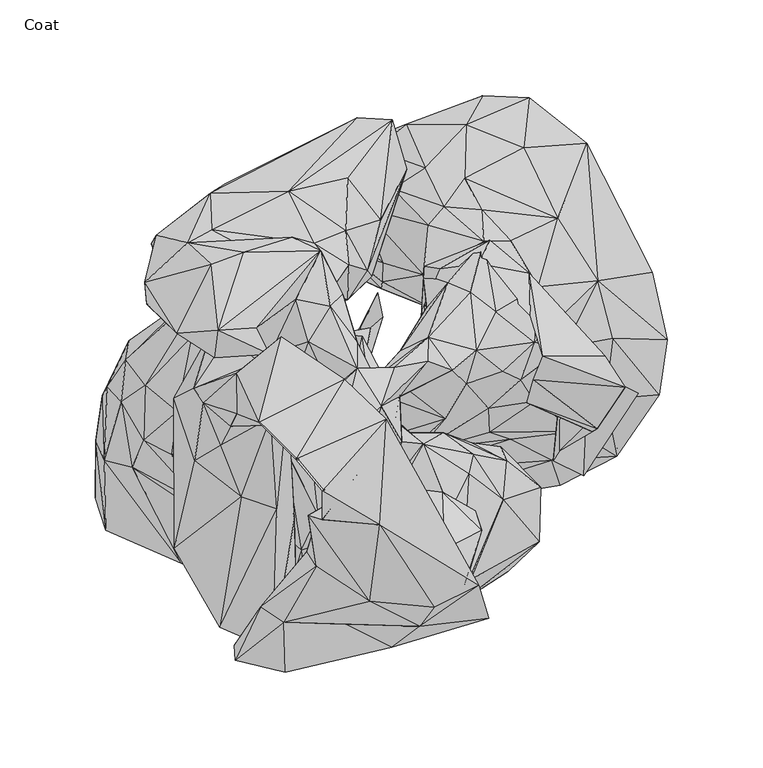
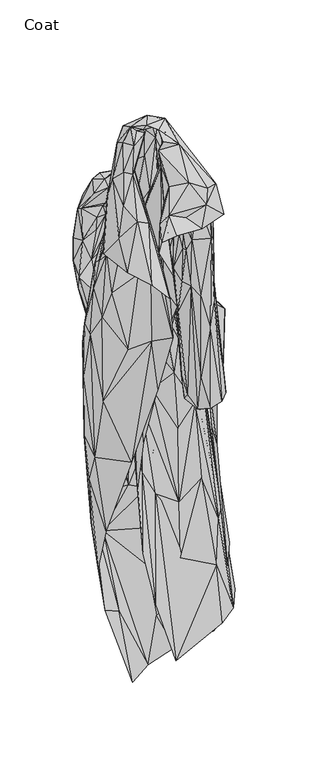
"""IFC4 building model written with IfcOpenShell, lengths in millimetres: furniture geometry, Coat."""

from ifc_helpers import new_model, si_unit, origin, place, context, project, spatial, triangles, source, transform, mapped, element, save


def coat_c6b7e939(model_context):
    return source(origin(), model_context, "Body", "Tessellation", [
        triangles([(-63.1753226, 77.4664743, 599.5763386), (-33.1021946, 56.1466047, 514.6616816), (-83.8332459, 51.8210284, 745.8104359), (-103.3943067, 83.9010379, 744.3581989), (-111.4129851, 68.0790931, 780.6684099), (-31.3651572, 38.0101731, 781.6187153), (-19.7356958, 48.8287874, 517.6280703), (-16.8949137, 43.7368198, 772.3706606), (-84.5633522, 73.653176, 805.044393), (-49.3587423, 41.0957428, 774.7808332), (-38.7150787, 45.0536771, 622.404669), (-48.7337577, 69.6719419, 835.2110109), (5.7423838, -26.0326157, 909.5186846), (8.2214481, -57.4711514, 904.4805473), (2.1119851, -47.7807181, 915.6698353), (-10.1315593, -117.3604691, 1015.8088537), (-5.6973778, -125.5925157, 937.7244484), (6.2616102, -122.9919749, 1014.4433847), (-1.7939003, -56.9794981, 837.7940655), (-0.423183, -87.4138777, 936.1028177), (-12.5855758, -86.2954866, 1011.2111692), (-4.878114, -97.89417, 1035.4247349), (-12.0761842, -115.7006594, 913.5148796), (-18.7211433, -107.1246567, 988.285461), (44.6930342, -113.328148, 786.410574), (34.2567821, -118.5734764, 740.6617676), (67.0956593, -98.7009794, 567.6398432), (29.4688817, -114.0362352, 1025.5162554), (31.6870852, -125.5459615, 927.936165), (12.3567698, -124.0603508, 815.6358976), (23.5066706, -105.3256568, 634.6116274), (23.818954, -93.7478206, 563.1619552), (42.6126288, -104.1464864, 564.6112126), (4.5928428, -77.1039783, 887.2144501), (20.324091, -55.7416103, 563.6938268), (12.2230752, -79.2796903, 587.9030685), (11.0512661, -61.0072682, 617.2767117), (11.7730913, -38.8233752, 771.3274103), (-8.5091611, -97.1382478, 836.7386793), (-3.493564, -117.6568899, 838.2034155), (29.8218125, -28.497695, 762.9053226), (43.1913862, -32.7127766, 567.8353981), (-4.6450585, -77.5701289, 762.5720581), (53.3390135, -77.0143762, 1011.0129982), (50.1585981, -66.9781201, 983.7569584), (32.9824753, -57.2056607, 994.6786755), (83.6291977, -83.2030518, 570.719488), (33.3989629, -73.8021858, 939.8382729), (34.1749852, -87.0911321, 1036.156885), (45.0945585, -103.805755, 1018.72183), (42.8391775, -112.6736367, 920.8878307), (47.949417, -31.1278602, 673.2433537), (63.346029, -33.3141797, 569.0236613), (22.4487161, -31.9454293, 937.8673903), (46.6473526, -47.5603146, 867.0833387), (-9.8906538, -36.8459228, 906.8349821), (33.3918549, -26.1257423, 818.2866079), (49.0594146, -37.2319116, 820.4422903), (47.8614863, -102.7937347, 841.4920229), (64.7962675, -61.2108986, 762.5468416), (66.4749305, -40.7293499, 687.2049288), (84.3838391, -54.5837686, 571.0369832), (-0.9403777, 47.4639679, 198.8030179), (-27.5009513, -7.1189599, 360.7263828), (-24.5566225, 1.7156936, 185.8833668), (128.5708404, -2.0931633, 675.0638821), (116.3303721, -13.885979, 590.9821321), (113.8727641, -23.8799309, 596.1257861), (1.6667861, 34.4888605, 359.5189347), (-11.1825137, -6.1469341, 441.3141237), (76.9747165, -10.1729347, 623.857778), (100.1368202, -4.4725053, 572.4027792), (94.6851544, -2.4655381, 553.6719094), (-16.2196416, -5.1829861, 533.8780958), (-2.0572916, -10.7415057, 481.6083575), (-16.1893575, -10.1309223, 464.2820532), (-32.3602477, 26.9368301, 569.6729313), (-17.776538, -16.6583048, 695.7677055), (-9.1397231, -18.1502025, 575.6444418), (23.3609401, 61.1744727, 692.5235722), (21.9006073, 38.3767318, 739.618154), (23.6173221, -2.2571311, 672.9943863), (19.1114652, 1.123172, 726.9125341), (31.4075351, 59.9035565, 746.5752148), (80.3436788, 1.6834494, 716.5707235), (85.4349468, 14.0619869, 734.4740639), (78.3441823, 57.6299444, 696.5095934), (117.92893, 14.4077927, 687.9423838), (78.8557881, 35.3347891, 744.5972832), (-3.6107404, -14.2660226, 712.1251373), (9.1596942, -10.842718, 666.6668655), (105.8840802, 6.6181723, 525.15966), (109.4047319, 7.7341539, 433.8809292), (111.2832692, -25.3227435, 569.2056996), (94.4029587, -35.4564227, 548.2304538), (135.5839389, -5.134362, 198.9099699), (106.8375649, -48.5178643, 188.4076677), (57.5223882, 74.818044, 699.0034092), (91.0040927, -40.725135, 436.8117096), (51.8616555, 62.6546422, 749.1398838), (-4.6915593, 29.1131167, 420.6313019), (-29.3287944, 24.6088813, 471.5496692), (-9.1208005, 24.6148107, 654.8600281), (1.4818392, 63.2667778, 544.6985473), (-18.9375875, 69.3130112, 335.085288), (1.2563668, 53.2709899, 489.4834582), (-11.6717917, 7.8684066, 1111.1033278), (-11.8596742, 21.4514818, 1076.2293663), (-25.8123529, 40.2549239, 1052.2734884), (10.7809803, 17.0581453, 1007.7908112), (-1.2138418, -4.8229319, 981.432827), (-2.3537793, 2.5894609, 1066.9183794), (-19.3716419, 46.6829336, 999.4793272), (-18.9456675, 9.2790604, 1031.8472643), (0.9014941, 49.6258999, 310.438464), (-21.5412201, 59.9102058, 127.3972838), (-1.4780629, 52.5228433, 124.8033832), (-64.5339061, 29.0063781, 1006.0231865), (-57.5326938, 15.1379659, 1019.1676603), (-44.0480018, 43.9588312, 1031.7051218), (-36.0572718, -16.9525592, 1105.9474651), (-25.6765577, -4.0268283, 1088.9344048), (-42.9559082, -5.6847434, 1099.4817987), (-31.0094694, 69.2750729, 971.8363924), (-37.3643413, 21.5761539, 1063.4641571), (-48.1198962, -7.9895656, 1023.2198112), (24.691255, 39.7079642, 827.5934526), (13.542619, 4.4235868, 891.7923683), (-57.6235267, -22.2388656, 1084.8638683), (29.3368335, 38.3142175, 688.1227507), (32.693024, 6.9209257, 751.0147694), (45.9135492, 22.4306894, 688.7024391), (60.2437928, 14.0372677, 637.4357283), (-57.1288894, -18.244661, 1024.4109449), (81.6477689, 28.4450888, 484.899363), (30.6948969, 46.845074, 262.7213911), (83.4685425, 66.5746019, 121.2558163), (-23.2389726, 86.1594938, 307.4170641), (-30.4224231, 105.5464555, 129.7394918), (-33.0217966, 74.6169253, 128.670798), (22.7044122, 56.9537229, 690.0567169), (-19.5776068, -7.2149706, 972.98109), (-4.5848596, -20.081832, 821.5508709), (-24.0132758, 50.6913463, 926.7822384), (-42.2087109, 7.5212308, 924.3653074), (64.2056694, 38.7902331, 508.6418455), (23.5420609, -10.409522, 701.5767986), (27.0313215, 43.3364718, 456.6924728), (75.8719541, 51.9278169, 307.1058186), (-58.2389188, 40.1617791, 865.7458477), (-45.8939965, 45.0050109, 890.3693447), (-45.9257941, 76.5187033, 961.579097), (-71.255498, 68.6481672, 978.9794157), (-26.9705649, -21.0413937, 859.9224386), (-41.7709106, -10.310667, 876.598601), (-84.5441037, 27.5919545, 996.8606644), (-58.5200654, 5.3081806, 824.5495977), (-29.786479, 48.0708485, 895.6810844), (-34.2325785, 73.3044963, 914.1732697), (-32.7691958, 57.4250014, 876.7197418), (80.887223, -20.9362107, 385.2385858), (55.01784, -1.2465927, 629.7462994), (104.8765018, -15.5041829, 299.0315839), (121.9860952, 38.7735054, 243.7451148), (110.8276284, 52.8639335, 221.5680891), (126.4194728, 63.3454476, 119.0355122), (110.5524271, 1.2070348, 334.8316335), (118.2532107, 18.406086, 304.5479987), (-35.6515348, -22.9704752, 742.4454523), (-49.5790186, -14.182753, 796.9165461), (-19.5734623, -26.9121178, 751.9206007), (-16.3517987, -21.4856321, 679.25476), (-68.8434677, 1.2553768, 692.4515562), (-81.492028, 1.5786346, 543.7460618), (-53.4003152, 50.435012, 901.0191307), (-50.215376, 11.3792768, 975.5508459), (-60.0474885, 35.0156974, 949.8581554), (141.6267114, 37.8341051, 137.2772585), (146.1891237, 12.5196085, 107.5700056), (-43.4080426, 77.6429352, 870.2758764), (-72.4791652, 55.5264663, 921.040147), (-57.6253525, 72.5805852, 887.2167028), (-58.4247859, 75.6435114, 852.3131647), (-57.4405437, 51.65411, 875.891958), (-86.499226, 13.2938141, 988.6965551), (-88.8972173, 17.9677918, 955.2842777), (100.4968454, -44.0791817, 117.1291969), (124.9868204, -33.7572237, 91.6220874), (78.1834, -53.3951647, 68.7577853), (-99.9315093, 44.6239977, 749.1561619), (-98.5967888, 21.5118705, 632.9799683), (-122.0553497, 21.2147888, 593.8814464), (-66.0512009, 42.9992604, 778.872226), (-69.1871196, -5.1721168, 976.8493132), (-98.3256026, 24.9374132, 835.9545702), (-91.0955207, 50.0604346, 815.0821524), (-133.0043361, 12.2800156, 728.4622215), (-123.0251578, -1.0365084, 803.5341654), (-58.5620868, -10.173633, 529.4049314), (-106.4342828, 26.0614248, 976.0716717), (-131.5361118, 22.1863956, 683.4380802), (-76.5913914, 52.3068636, 776.7661772), (16.2864162, -23.2804649, 470.5252041), (-31.4397211, -17.1427649, 472.4616411), (77.079434, -34.494388, 252.915885), (-64.4523886, -15.4075715, 392.8636291), (52.716854, -23.9763617, 467.6479815), (64.4881967, -40.1997674, 169.4836593), (26.9343798, -23.5195582, 301.2173517), (16.1274744, -14.3818075, 214.3088302), (-29.0321828, -14.0313077, 373.6705055), (-24.8222789, -6.6158628, 286.6939649), (-108.4057831, -6.6352753, 309.3270493), (-145.4190489, -6.6206669, 516.6239891), (-148.7526118, -30.060706, 445.2663898), (-144.4132146, -40.444588, 492.7281003), (-106.1727072, -14.8763131, 875.6103619), (-142.7290878, -1.8557968, 633.7101562), (-135.4352107, -9.6733569, 721.101697), (-93.2078191, -63.4492567, 706.9697834), (-129.821836, -43.9489344, 604.0481223), (-62.2793926, -89.18678, 728.728121), (-143.5524205, -76.9530518, 363.6692991), (-103.9691444, -94.2370713, 500.2486078), (-44.8423119, -71.2769493, 917.8750786), (-43.3577278, -127.2052988, 752.2213818), (-55.9750218, -139.9618511, 844.248686), (-107.7889875, -86.4322515, 882.2459307), (-72.5833785, -59.5397433, 957.3713596), (-83.7594405, -127.8798125, 873.7335142), (-54.0925694, -65.9830591, 952.0631807), (-48.2698734, -59.4181346, 900.9425365), (20.2017375, -23.0682754, 37.1551858), (-123.563161, -29.9628786, 763.2832792), (-135.7425865, 7.0681789, 515.1377426), (-62.5071676, -111.1987994, 645.1119312), (-53.0729687, -34.5191503, 954.2456783), (-88.6453341, -32.7347184, 897.4362099), (-67.4278065, -54.2031868, 845.4404737), (23.4545708, -17.6315387, 126.4268579), (-28.2406749, -17.127871, 15.4677627), (-64.7448171, -29.1712504, 0.127973), (-86.6065232, -21.498715, 147.0281349), (-96.9393954, -40.739501, 921.6768814), (-7.5241274, -10.5112804, 105.2450385), (-149.0295844, -59.8764688, 279.5537394), (-22.7638494, -5.9350461, 208.0402266), (-109.2992333, -37.20972, 811.2519356), (-114.1010114, -1.5455923, 386.0812669), (-129.6489359, -9.9125161, 350.9329036), (-138.9713139, -20.380785, 346.062089), (-126.4412556, -44.2075487, 176.9367109), (23.7709237, 112.9283995, 429.1828511), (13.77005, 135.8991722, 208.0699668), (-2.5955649, 122.3290793, 269.7489236), (44.6422242, 107.5354692, 465.9244311), (45.324559, 135.5597034, 232.9181776), (54.0023133, 150.7533345, 135.96304), (-12.4815362, 125.331803, 131.7597355), (0.9021216, -12.1342237, 1112.4205439), (-21.8472834, -31.2466347, 1117.338921), (11.5000872, -30.7393869, 1086.2057196), (22.8063546, -31.7418875, 1037.8689898), (8.1614238, -20.066326, 1021.2612099), (33.930394, 92.5098693, 595.1630905), (53.4302325, 90.8165679, 595.3371351), (54.6238642, 74.3726997, 692.3872433), (25.4727593, 82.7693392, 628.6512354), (7.9914459, 8.1727439, 1098.2632685), (25.0636273, 11.4698985, 1058.6731705), (25.4525775, 24.1454761, 1013.1118526), (2.2970256, -58.4707906, 1072.3490799), (10.2842583, -54.2897867, 1048.7401285), (-9.2525699, 92.1100845, 421.2671279), (-18.2037842, -58.2701805, 1081.7639849), (-19.6244767, 104.4295451, 280.5239927), (10.3864186, -7.0652914, 1049.6142031), (35.6394125, 52.7221135, 799.252668), (-11.4593569, -47.9200129, 1111.6254616), (47.5146234, 47.7058726, 838.4353781), (50.5998865, 17.3209324, 955.3100756), (37.9511424, 6.8152459, 1006.5071686), (45.3494394, -0.4709777, 942.7688353), (60.6979257, 37.3828177, 846.3282103), (11.6059595, -1.2351046, 965.9870401), (6.6874983, 101.9693482, 458.6454423), (1.0093694, -12.3414819, 945.2977507), (5.2978501, -8.0106876, 919.0454287), (75.4105315, 123.5623888, 252.2539159), (78.4372363, 149.7238915, 133.8555197), (5.2914943, -27.4916109, 844.0963697), (81.0028682, 21.3871734, 746.243985), (64.3829933, 6.314204, 860.2803383), (108.6200233, 125.849722, 125.6741422), (93.1690678, 86.4419257, 384.9328995), (83.0590018, 50.6766896, 641.47756), (114.2384394, 53.8411994, 373.2421523), (68.7512405, 74.6642107, 634.1840372), (34.4038162, -18.6659732, 794.8277927), (73.9679687, 1.7786027, 758.9102177), (56.8876886, -13.0881001, 770.1686874), (96.635108, 18.7376644, 549.1367575), (-35.7133633, -31.0109591, 854.064366), (-21.7356396, -68.972566, 944.7799044), (-10.8929239, -57.0827439, 1058.8188011), (68.2917754, -29.372687, 369.7356076), (17.8419115, -45.873172, 234.7366167), (90.2219003, -40.2431968, 191.8191055), (-36.4412395, -31.9295077, 980.4483667), (-19.7761525, -32.3462814, 659.7932299), (-23.7525314, -23.7513528, 579.667343), (12.5202671, -34.2810085, 606.8706608), (-19.0685899, -50.8322397, 754.6774092), (-14.0055348, -77.9466049, 922.404744), (-45.9135719, -21.3998861, 856.5376162), (-9.0374031, -67.7537087, 867.2146534), (-46.6709294, -21.1720498, 742.1265764), (-22.7845172, -64.9895969, 848.0416231), (1.6530925, -47.6495034, 766.9119822), (19.1236488, -36.8053456, 673.3947979), (118.1959105, -8.4243126, 275.6576836), (103.1104305, -25.1778986, 271.9571646), (124.2038559, -38.0845713, 91.1278225), (81.3010876, -9.5132087, 541.9070025), (94.5400779, -53.2887486, 79.3165703), (22.806459, -29.7018821, 486.7037951), (142.7148172, 58.325546, 113.0500127), (57.2653818, -25.8136951, 525.022459), (21.3270253, -34.7133313, 340.4869932), (146.495146, -5.8717125, 101.7850117), (122.207993, 23.7436043, 331.2483856), (150.6702455, 22.9893921, 107.6046783), (-72.8666052, -58.9411379, 755.769639), (-44.3409027, -98.3444968, 735.0590572), (-49.2426429, -108.9193055, 715.9570255), (-17.6927461, -126.2940626, 987.3004921), (6.2277608, -138.4872954, 964.0451529), (-50.2892632, -125.3966428, 1003.4172409), (-41.0516685, -87.7092357, 831.8963877), (-36.533921, -129.4690414, 814.614085), (-54.4244987, -20.6066365, 657.2286335), (-43.9957112, -23.0046959, 553.6782681), (-63.4915688, -21.0392522, 742.6417339), (-56.0275849, -23.0422095, 883.2358412), (-62.4946592, -117.2804867, 984.7397472), (-75.8152533, -145.2204873, 968.1294239), (-76.141051, -137.3185986, 942.7067751), (-33.3381177, -96.0386147, 1037.7199436), (-38.1881805, -88.3245325, 1001.8312912), (-49.9661271, -139.9973958, 888.8283777), (-33.6634226, -84.9970466, 972.2203079), (-32.2834355, -68.900927, 1060.5294525), (-49.4082623, -151.564704, 977.0562046), (-73.5363726, -33.0448557, 779.5185528), (-78.9822702, -46.5429985, 719.1301603), (-49.796806, -34.079808, 947.278371), (-65.5453042, -35.3471452, 851.1929569), (-66.3297676, -106.2369293, 621.2864233), (-75.1679182, -32.6026089, 680.1456213), (-24.3018324, -35.5213465, 372.9408262), (-40.8238981, -66.8208986, 171.6419396), (-4.2966516, -69.8612336, 47.4267881), (-51.8274006, -39.8991725, 426.5894411), (-68.3150979, -71.0219367, 287.4026244), (-78.2156746, -58.9375817, 487.4752233), (-87.1746753, -85.677274, 435.8662731), (-49.4130722, -106.65113, 683.1976152), (-83.392021, -98.564705, 536.1912904), (-65.2613099, -32.7815292, 546.6231028), (-97.3906215, -2.6787757, 984.807621), (-108.0494277, -7.9447327, 874.1355246), (-83.4490216, -32.5499209, 978.0456791), (-92.3737402, -10.2286862, 1022.1448042), (-63.7231044, 11.1084608, 1001.2678808), (-79.4162826, 24.5332432, 926.3061773), (-78.2179637, -22.6573788, 1038.0253756), (-88.5810212, 26.6751932, 867.9703485), (-37.4088471, -69.3116259, 1097.0785297), (-30.0109339, -71.6015979, 1113.1863401), (-5.1846859, -114.4628807, 1046.9935055), (51.7608395, -106.0908263, 1019.8805529), (21.0734525, -127.4732057, 1000.5089882), (57.0468313, -123.1878296, 966.0607275), (-18.6041152, 1.8611814, 1118.2179371), (-51.7380211, 24.2401242, 1094.9268442), (-63.5460667, -20.501324, 1124.3574606), (-43.9655123, -39.9041822, 1132.1935375), (-30.1953975, -56.4857282, 1128.1397152), (-75.0486713, -16.1070746, 1092.7322107), (-75.1208008, 5.1521144, 1080.5857138), (3.4937406, -19.0398864, 1116.7986197), (28.5061861, -117.3790726, 1025.9601963), (0.0578536, -74.3310825, 1099.2581932), (-58.2687907, 64.3677871, 929.46238), (-6.6558982, 59.288991, 765.8668425), (-16.3006743, 62.0070754, 882.705205), (-88.0681073, 80.4094814, 895.2893206), (-47.7699812, 100.4610464, 770.122542), (6.4968668, 138.0817333, 535.1743103), (-11.8765791, 139.029141, 530.8173815), (-100.5814696, 73.6774205, 942.8544405), (-88.7650851, 99.5165546, 765.9669817), (-88.3936689, 62.2590359, 977.4377947), (-123.2114383, 52.976245, 933.5674347), (0.6400473, 85.5312073, 681.613773), (14.0405924, 112.0342953, 530.9396851), (-4.1624728, 55.9545788, 648.3774296), (-17.7878359, 79.7474851, 815.2300358), (-6.3941886, 56.875639, 519.4324296), (-16.7141869, 107.6972599, 684.8855936), (-122.1287554, 41.3476624, 941.1254763), (-27.0492006, 120.9868284, 522.9239316), (-53.4757285, 114.4683491, 597.8741532), (-85.9679358, 52.2326403, 903.6351774), (-81.0650192, 104.548742, 702.5892368), (-75.5767504, 71.1493726, 864.2622173), (-117.1322853, 77.5996148, 857.622797), (-37.1850577, 88.5846092, 516.6184299), (-112.8128724, 54.5798943, 864.663283), (-119.6628721, 73.0735193, 815.6978851)], [[1, 2, 3], [4, 1, 5], [6, 7, 8], [9, 5, 3], [10, 3, 11], [10, 11, 6], [12, 3, 10], [1, 3, 5], [13, 14, 15], [16, 17, 18], [13, 19, 14], [15, 14, 20], [21, 16, 22], [20, 23, 24], [25, 26, 27], [28, 18, 29], [21, 24, 16], [22, 16, 18], [16, 24, 17], [28, 22, 18], [30, 31, 26], [31, 32, 33], [20, 34, 23], [14, 34, 20], [26, 33, 27], [35, 32, 36], [37, 35, 36], [38, 19, 13], [19, 39, 34], [34, 39, 23], [39, 40, 23], [18, 17, 29], [23, 17, 24], [41, 42, 38], [38, 35, 37], [19, 34, 14], [29, 30, 26], [29, 26, 25], [17, 40, 30], [17, 23, 40], [29, 17, 30], [19, 37, 43], [37, 36, 43], [40, 32, 31], [42, 35, 38], [26, 31, 33], [19, 43, 39], [38, 37, 19], [43, 40, 39], [43, 36, 40], [40, 31, 30], [36, 32, 40], [44, 45, 46], [47, 25, 27], [46, 45, 48], [44, 49, 50], [50, 28, 29], [44, 50, 51], [52, 53, 42], [54, 48, 55], [49, 28, 50], [13, 15, 56], [51, 50, 29], [45, 44, 51], [48, 45, 51], [55, 48, 51], [51, 29, 25], [13, 41, 38], [13, 57, 41], [13, 54, 57], [54, 55, 58], [47, 59, 25], [59, 51, 25], [55, 51, 60], [60, 51, 59], [53, 61, 62], [54, 58, 57], [52, 61, 53], [52, 42, 41], [61, 60, 62], [41, 57, 52], [57, 61, 52], [58, 61, 57], [61, 58, 60], [60, 59, 47], [58, 55, 60], [62, 60, 47], [63, 64, 65], [66, 67, 68], [69, 70, 64], [71, 72, 73], [74, 75, 76], [77, 78, 79], [80, 81, 82], [81, 83, 82], [84, 81, 80], [70, 76, 75], [79, 75, 74], [85, 66, 68], [66, 85, 86], [86, 87, 88], [87, 86, 89], [90, 91, 82], [85, 68, 71], [83, 90, 82], [92, 73, 93], [88, 66, 86], [72, 71, 94], [68, 94, 71], [94, 67, 95], [96, 93, 97], [73, 72, 94], [84, 80, 98], [93, 99, 97], [100, 87, 89], [100, 98, 87], [67, 94, 68], [94, 95, 73], [73, 95, 99], [63, 69, 64], [101, 70, 69], [102, 76, 70], [102, 70, 101], [102, 77, 76], [77, 74, 76], [100, 84, 98], [77, 79, 74], [103, 91, 90], [103, 90, 78], [103, 78, 77], [73, 99, 93], [104, 105, 106], [107, 108, 109], [110, 111, 112], [113, 108, 114], [115, 116, 117], [118, 119, 120], [121, 122, 123], [120, 109, 124], [125, 119, 126], [110, 127, 128], [123, 122, 129], [127, 130, 131], [132, 133, 131], [126, 134, 122], [132, 135, 133], [120, 124, 118], [136, 117, 137], [110, 128, 111], [138, 105, 104], [139, 140, 138], [108, 113, 109], [141, 130, 127], [142, 111, 143], [108, 107, 112], [125, 126, 122], [121, 107, 122], [107, 125, 122], [125, 109, 120], [120, 119, 125], [124, 109, 113], [144, 113, 145], [145, 113, 114], [145, 114, 142], [114, 112, 142], [112, 111, 142], [138, 140, 105], [132, 146, 135], [127, 131, 128], [128, 131, 147], [111, 147, 143], [130, 132, 131], [109, 125, 107], [108, 112, 114], [115, 117, 136], [148, 149, 146], [130, 148, 146], [104, 106, 141], [141, 106, 130], [130, 146, 132], [128, 147, 111], [115, 105, 116], [148, 136, 149], [105, 115, 106], [130, 115, 148], [130, 106, 115], [148, 115, 136], [140, 116, 105], [150, 151, 145], [124, 152, 153], [142, 154, 155], [118, 156, 119], [118, 124, 156], [157, 145, 155], [145, 142, 155], [158, 144, 151], [124, 144, 159], [124, 159, 152], [124, 153, 156], [124, 113, 144], [158, 151, 160], [161, 162, 163], [135, 146, 164], [164, 165, 166], [144, 145, 151], [147, 131, 162], [150, 145, 157], [142, 143, 154], [167, 163, 162], [164, 168, 135], [154, 169, 170], [157, 155, 170], [133, 162, 131], [155, 154, 170], [135, 168, 167], [147, 162, 161], [149, 166, 165], [149, 137, 166], [146, 149, 165], [146, 165, 164], [136, 137, 149], [154, 143, 171], [154, 171, 169], [171, 147, 172], [135, 167, 133], [133, 167, 162], [143, 147, 171], [173, 169, 174], [175, 176, 177], [178, 179, 168], [160, 151, 180], [181, 182, 175], [180, 183, 184], [180, 151, 150], [180, 184, 182], [156, 185, 119], [185, 186, 119], [187, 188, 189], [180, 150, 183], [190, 191, 192], [193, 183, 157], [194, 176, 195], [181, 177, 186], [181, 175, 177], [196, 197, 198], [196, 198, 195], [183, 150, 157], [169, 199, 174], [175, 184, 176], [176, 184, 195], [119, 186, 177], [185, 156, 200], [169, 171, 172], [197, 190, 201], [202, 191, 190], [170, 169, 173], [157, 170, 173], [202, 173, 191], [193, 173, 202], [166, 179, 178], [172, 203, 204], [173, 174, 191], [193, 157, 173], [119, 177, 176], [190, 197, 196], [196, 183, 190], [193, 202, 183], [183, 195, 184], [168, 179, 167], [166, 178, 164], [205, 187, 189], [169, 204, 199], [172, 204, 169], [183, 196, 195], [183, 202, 190], [164, 178, 168], [199, 204, 206], [147, 161, 207], [205, 189, 208], [203, 172, 207], [172, 147, 207], [179, 188, 167], [167, 188, 163], [163, 188, 187], [161, 163, 187], [161, 187, 205], [205, 208, 209], [209, 208, 210], [204, 203, 211], [204, 211, 206], [203, 205, 209], [161, 205, 207], [203, 207, 205], [203, 209, 212], [203, 212, 211], [182, 184, 175], [211, 212, 213], [191, 174, 192], [214, 215, 216], [194, 195, 217], [119, 176, 126], [197, 218, 219], [220, 221, 222], [215, 223, 216], [221, 224, 222], [225, 226, 227], [218, 216, 219], [228, 229, 230], [126, 231, 134], [232, 226, 225], [208, 189, 233], [134, 231, 229], [232, 220, 222], [220, 234, 221], [235, 214, 201], [222, 236, 226], [216, 221, 219], [237, 238, 239], [176, 194, 126], [126, 238, 237], [240, 208, 233], [241, 242, 243], [244, 229, 228], [240, 233, 245], [126, 225, 231], [190, 192, 201], [201, 214, 218], [201, 192, 235], [214, 216, 218], [126, 194, 238], [225, 227, 231], [246, 223, 215], [222, 224, 236], [237, 225, 126], [230, 231, 227], [201, 218, 197], [245, 233, 241], [247, 245, 241], [217, 234, 248], [199, 206, 174], [192, 249, 235], [209, 210, 212], [198, 219, 234], [232, 222, 226], [210, 208, 240], [237, 232, 225], [216, 224, 221], [232, 237, 239], [192, 206, 249], [198, 234, 217], [198, 217, 195], [210, 240, 247], [239, 220, 232], [217, 238, 194], [197, 219, 198], [219, 221, 234], [174, 206, 192], [214, 235, 250], [250, 249, 213], [251, 252, 246], [212, 210, 247], [247, 240, 245], [252, 243, 242], [216, 223, 224], [248, 234, 220], [248, 220, 239], [250, 251, 214], [214, 251, 215], [235, 249, 250], [251, 246, 215], [217, 248, 238], [206, 211, 213], [206, 213, 249], [250, 243, 252], [250, 252, 251], [213, 247, 241], [213, 212, 247], [213, 243, 250], [213, 241, 243], [229, 231, 230], [238, 248, 239], [253, 254, 255], [256, 257, 253], [254, 258, 259], [260, 107, 261], [262, 263, 264], [265, 266, 256], [267, 268, 141], [267, 266, 265], [269, 270, 271], [269, 260, 270], [263, 272, 273], [274, 138, 104], [262, 275, 272], [263, 262, 272], [276, 139, 138], [260, 275, 262], [277, 260, 262], [127, 278, 141], [260, 279, 275], [271, 280, 278], [269, 271, 112], [260, 261, 279], [267, 265, 268], [281, 282, 283], [278, 280, 267], [141, 278, 267], [271, 281, 280], [278, 127, 110], [281, 284, 280], [269, 107, 260], [270, 260, 277], [107, 269, 112], [261, 107, 121], [277, 282, 270], [282, 277, 285], [265, 256, 253], [141, 274, 104], [271, 278, 110], [277, 262, 264], [282, 285, 283], [271, 270, 282], [112, 271, 110], [253, 257, 254], [274, 255, 276], [274, 276, 138], [286, 255, 274], [286, 253, 255], [268, 274, 141], [286, 274, 268], [268, 265, 286], [271, 282, 281], [257, 258, 254], [265, 253, 286], [255, 259, 139], [255, 139, 276], [255, 254, 259], [263, 273, 46], [280, 284, 267], [264, 263, 46], [54, 46, 48], [287, 56, 288], [287, 54, 13], [49, 44, 46], [273, 49, 46], [287, 264, 54], [49, 272, 28], [273, 272, 49], [257, 289, 290], [288, 56, 291], [54, 264, 46], [287, 288, 285], [292, 281, 293], [289, 294, 290], [295, 296, 297], [267, 298, 266], [298, 267, 296], [287, 13, 56], [284, 292, 296], [267, 284, 296], [257, 290, 258], [256, 295, 289], [288, 291, 299], [285, 288, 299], [285, 299, 283], [285, 277, 264], [296, 292, 297], [298, 296, 295], [292, 293, 300], [256, 289, 257], [295, 297, 294], [284, 281, 292], [283, 299, 301], [281, 283, 293], [285, 264, 287], [297, 292, 302], [295, 294, 289], [266, 298, 295], [293, 301, 300], [266, 295, 256], [283, 301, 293], [303, 304, 305], [306, 307, 308], [304, 20, 21], [28, 272, 22], [309, 303, 305], [310, 311, 312], [313, 310, 312], [304, 314, 20], [21, 22, 305], [20, 24, 21], [272, 305, 22], [309, 315, 303], [292, 300, 302], [56, 316, 291], [56, 15, 316], [315, 317, 303], [317, 318, 303], [317, 313, 318], [318, 313, 319], [316, 318, 319], [303, 318, 304], [320, 313, 312], [299, 320, 301], [319, 320, 299], [15, 314, 316], [319, 313, 320], [291, 316, 319], [321, 322, 323], [15, 20, 314], [317, 311, 310], [317, 310, 313], [302, 300, 324], [300, 301, 324], [314, 318, 316], [304, 318, 314], [308, 325, 323], [308, 323, 322], [311, 326, 312], [297, 327, 294], [320, 312, 328], [291, 319, 299], [320, 328, 301], [328, 326, 329], [328, 329, 306], [312, 326, 328], [301, 328, 324], [330, 321, 323], [324, 328, 322], [302, 324, 321], [297, 331, 332], [327, 297, 332], [297, 302, 331], [324, 322, 321], [328, 306, 322], [331, 302, 321], [331, 330, 332], [306, 308, 322], [330, 331, 321], [305, 304, 21], [333, 334, 335], [336, 337, 338], [339, 340, 334], [341, 342, 311], [334, 340, 335], [317, 343, 341], [344, 343, 317], [345, 346, 347], [348, 338, 345], [349, 347, 350], [333, 339, 334], [351, 349, 350], [272, 275, 305], [309, 275, 352], [337, 353, 338], [345, 338, 346], [352, 348, 349], [349, 348, 345], [354, 333, 355], [353, 346, 338], [352, 349, 351], [275, 309, 305], [309, 352, 356], [344, 357, 354], [344, 354, 343], [315, 344, 317], [317, 341, 311], [333, 335, 358], [343, 354, 359], [360, 361, 362], [363, 361, 360], [363, 364, 361], [365, 366, 364], [364, 363, 365], [311, 329, 326], [309, 344, 315], [344, 356, 357], [339, 351, 340], [339, 352, 351], [354, 357, 333], [335, 367, 358], [359, 354, 355], [307, 360, 308], [311, 342, 329], [329, 342, 360], [368, 333, 358], [357, 356, 333], [356, 344, 309], [356, 339, 333], [343, 359, 341], [306, 329, 307], [360, 307, 329], [366, 355, 368], [341, 369, 342], [369, 359, 365], [359, 369, 341], [356, 352, 339], [345, 347, 349], [359, 355, 365], [308, 360, 362], [363, 369, 365], [342, 363, 360], [342, 369, 363], [365, 355, 366], [355, 333, 368], [340, 351, 350], [308, 362, 325], [370, 371, 244], [134, 372, 229], [244, 229, 372], [370, 244, 373], [374, 375, 370], [122, 129, 134], [129, 376, 134], [377, 371, 370], [275, 352, 378], [379, 275, 378], [380, 348, 338], [381, 382, 383], [384, 385, 386], [382, 337, 383], [279, 387, 261], [387, 121, 261], [279, 275, 379], [387, 279, 388], [371, 228, 244], [389, 376, 129], [373, 376, 389], [373, 372, 376], [390, 370, 373], [390, 373, 389], [376, 372, 134], [386, 129, 123], [373, 244, 372], [377, 370, 375], [390, 374, 370], [385, 374, 390], [390, 389, 386], [385, 390, 386], [391, 387, 388], [382, 336, 337], [380, 338, 382], [392, 380, 382], [393, 380, 392], [392, 382, 381], [386, 389, 129], [123, 121, 386], [386, 121, 387], [387, 384, 386], [393, 378, 380], [378, 348, 380], [391, 393, 381], [393, 379, 378], [393, 388, 379], [279, 379, 388], [391, 388, 393], [391, 384, 387], [338, 336, 382], [352, 348, 378], [393, 392, 381], [152, 159, 394], [395, 396, 8], [396, 144, 158], [394, 159, 397], [398, 399, 400], [401, 397, 402], [403, 401, 404], [403, 153, 401], [153, 152, 401], [394, 397, 401], [153, 403, 156], [401, 152, 394], [397, 398, 402], [399, 405, 406], [10, 8, 158], [395, 8, 407], [396, 408, 159], [159, 408, 398], [144, 396, 159], [402, 398, 400], [406, 407, 409], [406, 395, 407], [398, 410, 399], [397, 159, 398], [399, 410, 405], [408, 396, 395], [10, 6, 8], [8, 409, 407], [408, 395, 405], [396, 158, 8], [405, 395, 406], [398, 408, 410], [410, 408, 405], [200, 411, 185], [400, 412, 413], [185, 411, 186], [181, 414, 182], [415, 413, 4], [402, 400, 415], [156, 403, 200], [160, 10, 158], [3, 7, 11], [6, 11, 7], [181, 186, 411], [411, 414, 181], [182, 414, 416], [180, 12, 160], [403, 404, 200], [404, 401, 417], [413, 418, 4], [417, 419, 404], [414, 419, 416], [411, 419, 414], [182, 9, 180], [182, 416, 9], [416, 419, 9], [417, 420, 419], [401, 402, 417], [4, 5, 420], [404, 411, 200], [419, 5, 9], [404, 419, 411], [418, 2, 1], [419, 420, 5], [180, 9, 12], [8, 7, 409], [402, 415, 417], [412, 418, 413], [12, 10, 160], [417, 4, 420], [415, 4, 417], [9, 3, 12], [415, 400, 413], [3, 2, 7], [4, 418, 1]], closed=False),
    ])


if __name__ == "__main__":
    model = new_model("IFC4")
    model_context = context("Model", 3, world=origin())
    ifc_project = project(units=[si_unit("LENGTHUNIT", "METRE", prefix="MILLI")], contexts=[model_context])
    site = spatial("IfcSite", under=ifc_project)
    building = spatial("IfcBuilding", under=site)
    placement = place(None, origin())
    coat_shape = coat_c6b7e939(model_context)
    element("IfcFurniture", 1, ObjectType="Coat", at=placement, inside=building, context=model_context, shape_type="MappedRepresentation", body=[
        mapped(coat_shape, transform((0.0, 0.0, 0.0), x_axis=(1.0, 0.0, 0.0), y_axis=(0.0, 1.0, 0.0), z_axis=(0.0, 0.0, 1.0))),
    ])
    save(model, "model.ifc")
